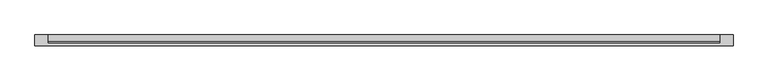
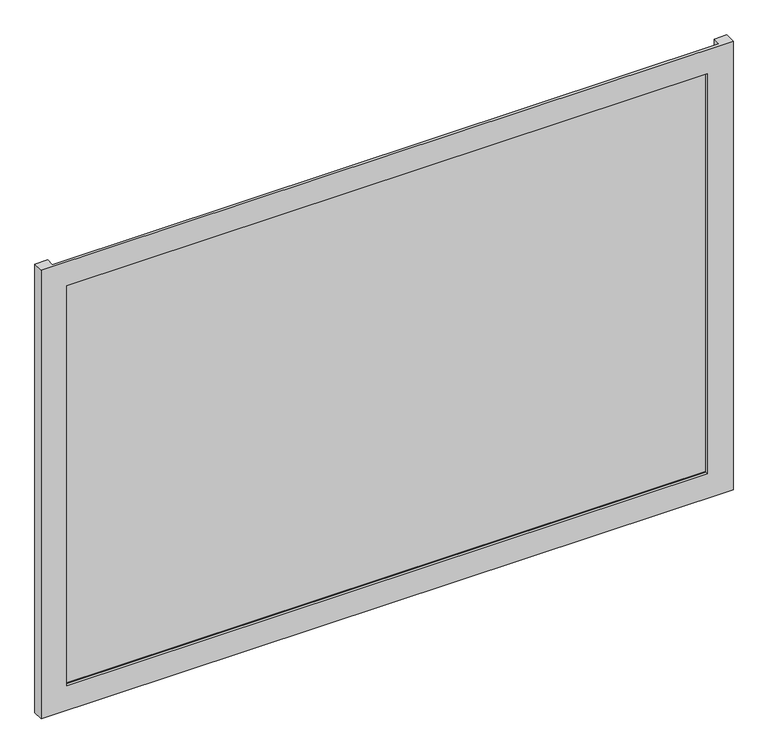
"""IFC4 building model written with IfcOpenShell, lengths in millimetres: plate geometry."""

from ifc_helpers import new_model, si_unit, origin, origin_with_axes, place, context, project, spatial, polyline, outline, extrude, faceted_brep, source, transform, mapped, element, save


def plate_2e091d8b(model_context):
    return source(origin(), model_context, "Body", "SolidModel", [
        faceted_brep([(675.0, -50.8, -50.0), (675.0, -71.8, -50.0), (-675.0, -71.8, -50.0), (-675.0, -50.8, -50.0), (-650.0, -50.8, -50.0), (-650.0, -66.8, -50.0), (650.0, -66.8, -50.0), (650.0, -50.8, -50.0), (625.0, -71.8, 0.0), (625.0, -66.8, 0.0), (-625.0, -66.8, 0.0), (-625.0, -71.8, 0.0), (675.0, -71.8, 875.0), (-675.0, -71.8, 875.0), (-625.0, -71.8, 825.0), (625.0, -71.8, 825.0), (-650.0, -66.8, 875.0), (650.0, -66.8, 875.0), (625.0, -66.8, 825.0), (-625.0, -66.8, 825.0), (675.0, -50.8, 875.0), (650.0, -50.8, 875.0), (-650.0, -50.8, 875.0), (-675.0, -50.8, 875.0)], [[[0, 1, 2, 3, 4, 5, 6, 7]], [[8, 9, 10, 11]], [[12, 13, 2, 1], [11, 14, 15, 8]], [[16, 17, 6, 5], [9, 18, 19, 10]], [[20, 21, 17, 16, 22, 23, 13, 12]], [[20, 0, 7, 21]], [[21, 7, 6, 17]], [[8, 15, 18, 9]], [[12, 1, 0, 20]], [[22, 4, 3, 23]], [[16, 5, 4, 22]], [[10, 19, 14, 11]], [[23, 3, 2, 13]], [[18, 15, 14, 19]]]),
        extrude(outline(polyline([(650.0, -50.8), (650.0, -63.2), (-650.0, -63.2), (-650.0, -50.8), (650.0, -50.8)])), origin_with_axes(), (0.0, 0.0, 1.0), 825.0),
    ])


if __name__ == "__main__":
    model = new_model("IFC4")
    model_context = context("Model", 3, world=origin())
    ifc_project = project(units=[si_unit("LENGTHUNIT", "METRE", prefix="MILLI")], contexts=[model_context])
    site = spatial("IfcSite", under=ifc_project)
    building = spatial("IfcBuilding", under=site)
    placement = place(None, origin())
    plate_shape = plate_2e091d8b(model_context)
    element("IfcPlate", 1, at=placement, inside=building, context=model_context, shape_type="MappedRepresentation", body=[
        mapped(plate_shape, transform((0.0, 0.0, 0.0), x_axis=(1.0, 0.0, 0.0), y_axis=(0.0, 1.0, 0.0), z_axis=(0.0, 0.0, 1.0))),
    ])
    save(model, "model.ifc")
